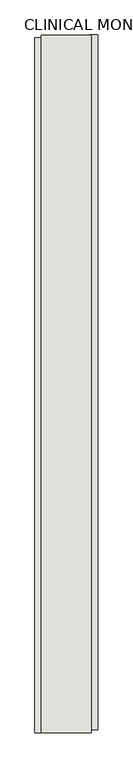
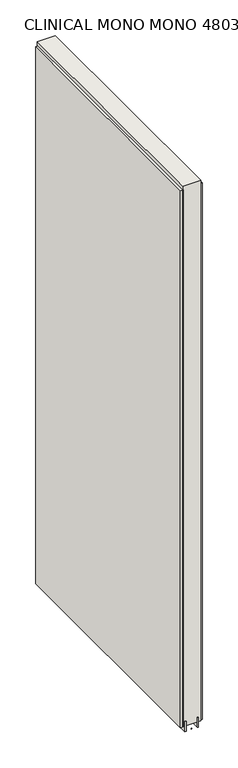
"""IFC4 building model written with IfcOpenShell, lengths in millimetres: wall geometry, CLINICAL MONO MONO 480310 : CLINICAL MONO MONO 480310."""

from ifc_helpers import new_model, si_unit, frame, origin, place, context, project, spatial, polyline, outline, extrude, source, transform, mapped, element, save


def clinical_mono_mono_480310_clinical_mono_mono_480310_8c80fa83(model_context):
    return source(origin(), model_context, "Body", "SweptSolid", [
        extrude(outline(polyline([(61066.082211, -55134.5769798), (61066.082211, -55137.1169798), (61063.542211, -55137.1169798), (61063.542211, -55134.5769798), (61066.082211, -55134.5769798)])), frame((0.0, 0.0, 4419.6), z_axis=(0.0, 0.0, 1.0), x_axis=(1.0, 0.0, 0.0)), (0.0, 0.0, 1.0), 2.54),
        extrude(outline(polyline([(61014.012211, -55137.584416), (61014.012211, -54012.41674), (61026.712211, -54012.41674), (61026.712211, -55137.584416), (61014.012211, -55137.584416)])), frame((0.0, 0.0, 4445.0), z_axis=(0.0, 0.0, 1.0), x_axis=(1.0, 0.0, 0.0)), (0.0, 0.0, 1.0), 2545.0498756),
        extrude(outline(polyline([(61115.612211, -54007.4868286), (61115.612211, -55132.6545046), (61102.912211, -55132.6545046), (61102.912211, -54007.4868286), (61115.612211, -54007.4868286)])), frame((0.0, 0.0, 4445.0), z_axis=(0.0, 0.0, 1.0), x_axis=(1.0, 0.0, 0.0)), (0.0, 0.0, 1.0), 2545.0498756),
        extrude(outline(polyline([(61039.7284664, -54007.9468226), (61039.7284664, -55137.124422), (61034.649711, -55137.124422), (61034.649711, -54007.9468226), (61039.7284664, -54007.9468226)])), frame((0.0, 0.0, 4418.6602), z_axis=(0.0, 0.0, 1.0), x_axis=(1.0, 0.0, 0.0)), (0.0, 0.0, 1.0), 47.625),
        extrude(outline(polyline([(61039.7284664, -54007.9468226), (61039.7284664, -55137.124422), (61034.649711, -55137.124422), (61034.649711, -54007.9468226), (61039.7284664, -54007.9468226)])), frame((0.0, 0.0, 4418.6602), z_axis=(0.0, 0.0, 1.0), x_axis=(1.0, 0.0, 0.0)), (0.0, 0.0, 1.0), 47.625),
        extrude(outline(polyline([(61089.8959556, -55137.124422), (61089.8959556, -54007.9468226), (61094.974711, -54007.9468226), (61094.974711, -55137.124422), (61089.8959556, -55137.124422)])), frame((0.0, 0.0, 4418.6602), z_axis=(0.0, 0.0, 1.0), x_axis=(1.0, 0.0, 0.0)), (0.0, 0.0, 1.0), 47.625),
        extrude(outline(polyline([(61089.8959556, -55137.124422), (61089.8959556, -54007.9468226), (61094.974711, -54007.9468226), (61094.974711, -55137.124422), (61089.8959556, -55137.124422)])), frame((0.0, 0.0, 4418.6602), z_axis=(0.0, 0.0, 1.0), x_axis=(1.0, 0.0, 0.0)), (0.0, 0.0, 1.0), 47.625),
        extrude(outline(polyline([(61024.1573266, -54007.9468226), (61105.4670954, -54007.9468226), (61105.4670954, -55137.124422), (61024.1573266, -55137.124422), (61024.1573266, -54007.9468226)])), frame((0.0, 0.0, 4445.0), z_axis=(0.0, 0.0, 1.0), x_axis=(1.0, 0.0, 0.0)), (0.0, 0.0, 1.0), 2562.4536762),
    ])


if __name__ == "__main__":
    model = new_model("IFC4")
    model_context = context("Model", 3, world=origin())
    ifc_project = project(units=[si_unit("LENGTHUNIT", "METRE", prefix="MILLI")], contexts=[model_context])
    site = spatial("IfcSite", under=ifc_project)
    building = spatial("IfcBuilding", under=site)
    placement = place(None, origin())
    clinical_mono_mono_480310_clinical_mono_mono_480310_shape = clinical_mono_mono_480310_clinical_mono_mono_480310_8c80fa83(model_context)
    element("IfcWall", 1, ObjectType="CLINICAL MONO MONO 480310 : CLINICAL MONO MONO 480310", at=placement, inside=building, context=model_context, shape_type="MappedRepresentation", body=[
        mapped(clinical_mono_mono_480310_clinical_mono_mono_480310_shape, transform((0.0, 0.0, 0.0), x_axis=(1.0, 0.0, 0.0), y_axis=(0.0, 1.0, 0.0), z_axis=(0.0, 0.0, 1.0))),
    ])
    save(model, "model.ifc")
